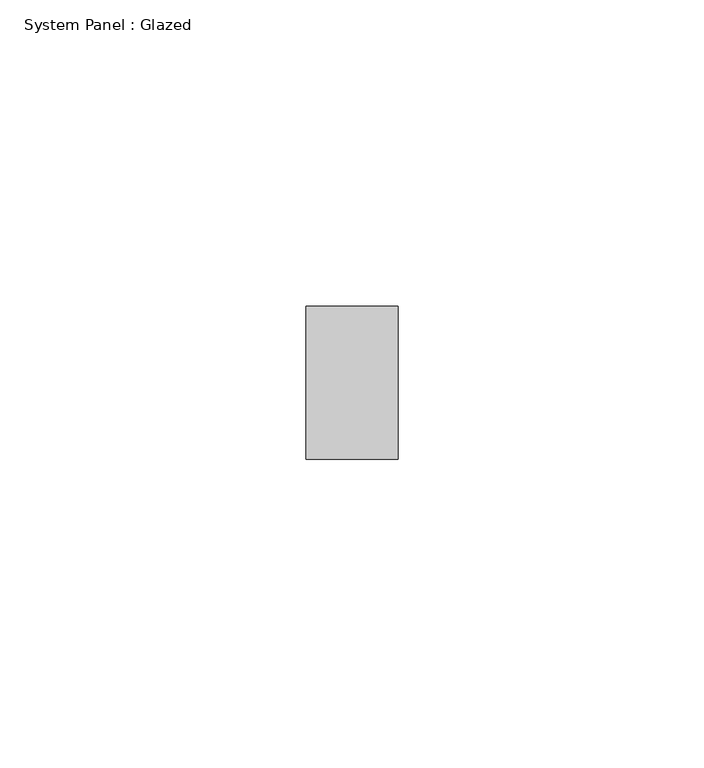
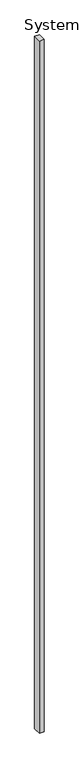
"""IFC4 building model written with IfcOpenShell, lengths in millimetres: plate geometry, System Panel : Glazed."""

import ifcopenshell
import ifcopenshell.guid

model = None  # the IFC model being written
_history = None  # IfcOwnerHistory: only IFC2X3 demands one
_inside = {}  # id of a spatial element -> (the spatial element, [elements in it])
_under = {}  # id of a project, library or spatial element -> (it, [spatial elements below it])
_declared = {}  # id of a project -> (the project, [libraries it declares])
_typed = {}  # id of a type object -> (the type object, [elements of that type])
_made_of = {}  # id of a material, layer set ... -> (it, [elements and type objects made of it])


def new_model(schema):
    """Start an empty IFC model of exactly this schema.

    Asked for "IFC4X3", IfcOpenShell would pick the latest addendum, in which some entities
    have other attributes; the version numbers below select the first issue.
    IFC2X3 requires an IfcOwnerHistory on every rooted entity: one is made here for all.
    """
    global model, _history
    if schema == "IFC4X3":
        model = ifcopenshell.file(schema_version=(4, 3, 0, 0))
    else:
        model = ifcopenshell.file(schema=schema)
    _inside.clear()
    _under.clear()
    _declared.clear()
    _typed.clear()
    _made_of.clear()
    _history = None
    if model.schema == "IFC2X3":
        org = make("IfcOrganization", Name="unknown")
        user = make(
            "IfcPersonAndOrganization",
            ThePerson=make("IfcPerson", FamilyName="unknown"),
            TheOrganization=org,
        )
        app = make(
            "IfcApplication",
            ApplicationDeveloper=org,
            Version="unknown",
            ApplicationFullName="unknown",
            ApplicationIdentifier="unknown",
        )
        _history = make(
            "IfcOwnerHistory",
            OwningUser=user,
            OwningApplication=app,
            ChangeAction="ADDED",
            CreationDate=0,
        )
    return model


def make(cls, **values):
    """One entity of the class cls with the attributes given. An attribute that is None is left unset."""
    return model.create_entity(
        cls, **{name: value for name, value in values.items() if value is not None}
    )


def rooted(cls, **values):
    """An entity with a GlobalId (a new one), such as an element, a storey or a relation."""
    return make(cls, GlobalId=ifcopenshell.guid.new(), OwnerHistory=_history, **values)


def si_unit(unit_type, name, prefix=None):
    """IfcSIUnit, for example si_unit("LENGTHUNIT", "METRE", prefix="MILLI")."""
    return make("IfcSIUnit", UnitType=unit_type, Prefix=prefix, Name=name)


def assignment(units):
    """IfcUnitAssignment: the units of a project."""
    return None if units is None else make("IfcUnitAssignment", Units=units)


def point(xyz):
    """IfcCartesianPoint."""
    return None if xyz is None else make("IfcCartesianPoint", Coordinates=xyz)


def direction(xyz):
    """IfcDirection."""
    return None if xyz is None else make("IfcDirection", DirectionRatios=xyz)


def frame(location, z_axis=None, x_axis=None):
    """IfcAxis2Placement3D, a coordinate frame: its origin and axes. An axis left out is left unset."""
    return make(
        "IfcAxis2Placement3D",
        Location=point(location),
        Axis=direction(z_axis),
        RefDirection=direction(x_axis),
    )


def origin():
    """The frame at (0, 0, 0) with its axes left unset."""
    return frame((0.0, 0.0, 0.0))


def origin_with_axes():
    """The frame at (0, 0, 0) with the z axis (0, 0, 1) and the x axis (1, 0, 0) written out."""
    return frame((0.0, 0.0, 0.0), z_axis=(0.0, 0.0, 1.0), x_axis=(1.0, 0.0, 0.0))


def place(relative_to, where):
    """IfcLocalPlacement: puts the frame where relative to a parent placement (None: the world)."""
    return make(
        "IfcLocalPlacement", PlacementRelTo=relative_to, RelativePlacement=where
    )


def context(
    kind, dimensions, precision=None, world=None, true_north=None, identifier=None
):
    """IfcGeometricRepresentationContext, for example the 3D "Model" context."""
    return make(
        "IfcGeometricRepresentationContext",
        ContextIdentifier=identifier,
        ContextType=kind,
        CoordinateSpaceDimension=dimensions,
        Precision=precision,
        WorldCoordinateSystem=world,
        TrueNorth=true_north,
    )


def project(units=None, contexts=None):
    """IfcProject with its units and contexts."""
    return rooted(
        "IfcProject",
        Name="project",
        RepresentationContexts=contexts,
        UnitsInContext=assignment(units),
    )


def spatial(cls, under=None, at=None, **own):
    """A site, building, storey or space (cls), placed at a placement, below another one or the project."""
    s = rooted(cls, ObjectPlacement=at, **own)
    if under is not None:
        _under.setdefault(under.id(), (under, []))[1].append(s)
    return s


def polyline(points):
    """IfcPolyline through the points."""
    return make("IfcPolyline", Points=[point(p) for p in points])


def outline(outer, holes=None, kind="AREA"):
    """IfcArbitraryClosedProfileDef: a profile drawn as a closed curve; with holes, ...WithVoids."""
    if holes is None:
        return make("IfcArbitraryClosedProfileDef", ProfileType=kind, OuterCurve=outer)
    return make(
        "IfcArbitraryProfileDefWithVoids",
        ProfileType=kind,
        OuterCurve=outer,
        InnerCurves=holes,
    )


def extrude(swept, where, along, depth):
    """IfcExtrudedAreaSolid: the profile swept, set in the frame where, extruded along a direction by depth."""
    return make(
        "IfcExtrudedAreaSolid",
        SweptArea=swept,
        Position=where,
        ExtrudedDirection=direction(along),
        Depth=depth,
    )


def shape(context_of_items, identifier, shape_type, items):
    """IfcShapeRepresentation: the items that make up one representation, for example the "Body"."""
    return make(
        "IfcShapeRepresentation",
        ContextOfItems=context_of_items,
        RepresentationIdentifier=identifier,
        RepresentationType=shape_type,
        Items=items,
    )


def source(mapping_origin, context_of_items, identifier, shape_type, items):
    """IfcRepresentationMap: a shape defined once, which mapped items show again and again."""
    return make(
        "IfcRepresentationMap",
        MappingOrigin=mapping_origin,
        MappedRepresentation=shape(context_of_items, identifier, shape_type, items),
    )


def transform(
    local_origin,
    x_axis=None,
    y_axis=None,
    z_axis=None,
    scale=None,
    scale2=None,
    scale3=None,
    uniform=True,
):
    """IfcCartesianTransformationOperator3D, or its non-uniform kind. x_axis, y_axis, z_axis: its Axis1, 2, 3."""
    if uniform:
        return make(
            "IfcCartesianTransformationOperator3D",
            Axis1=direction(x_axis),
            Axis2=direction(y_axis),
            LocalOrigin=point(local_origin),
            Scale=scale,
            Axis3=direction(z_axis),
        )
    return make(
        "IfcCartesianTransformationOperator3DnonUniform",
        Axis1=direction(x_axis),
        Axis2=direction(y_axis),
        LocalOrigin=point(local_origin),
        Scale=scale,
        Axis3=direction(z_axis),
        Scale2=scale2,
        Scale3=scale3,
    )


def mapped(mapping_source, mapping_target):
    """IfcMappedItem: shows the shape of a source again, moved by a transform."""
    return make(
        "IfcMappedItem", MappingSource=mapping_source, MappingTarget=mapping_target
    )


def made_of(thing, what):
    """Note that an element or type object is made of a material, layer set ...; save() writes the relation."""
    if what is not None:
        _made_of.setdefault(what.id(), (what, []))[1].append(thing)
    return thing


def element(
    cls,
    number,
    at=None,
    inside=None,
    cuts=None,
    type_object=None,
    material=None,
    context=None,
    identifier="Body",
    shape_type=None,
    held_by="IfcProductDefinitionShape",
    body=None,
    shapes=None,
    **own,
):
    """One element of the class cls, such as IfcWall. Its Tag is "e" and its number.

    at: its placement. inside: the storey or other place that contains it. cuts: it is an
    opening in that element (IfcRelVoidsElement). A single representation is given by context,
    identifier, shape_type and body (its items); several are given by shapes. held_by: the class
    of the entity that holds the representations. save() writes the other relations.
    """
    e = rooted(cls, Tag="e%d" % number, ObjectPlacement=at, **own)
    if body is not None:
        shapes = [shape(context, identifier, shape_type, body)]
    if shapes is not None:
        e.Representation = make(held_by, Representations=shapes)
    if inside is not None:
        _inside.setdefault(inside.id(), (inside, []))[1].append(e)
    if cuts is not None:
        rooted(
            "IfcRelVoidsElement", RelatingBuildingElement=cuts, RelatedOpeningElement=e
        )
    if type_object is not None:
        _typed.setdefault(type_object.id(), (type_object, []))[1].append(e)
    return made_of(e, material)


def aggregate(whole, parts):
    """IfcRelAggregates: a whole, such as a stair, and the parts it consists of."""
    return rooted("IfcRelAggregates", RelatingObject=whole, RelatedObjects=parts)


def save(model, path):
    """Write the relations noted so far, then the file.

    IfcRelAggregates (storeys below a building ...), IfcRelContainedInSpatialStructure (elements
    in a storey), IfcRelDefinesByType, IfcRelAssociatesMaterial and IfcRelDeclares: one each for
    every whole, place, type object, material and project.
    """
    for whole, parts in _under.values():
        aggregate(whole, parts)
    for where, things in _inside.values():
        rooted(
            "IfcRelContainedInSpatialStructure",
            RelatedElements=things,
            RelatingStructure=where,
        )
    for kind, things in _typed.values():
        rooted("IfcRelDefinesByType", RelatedObjects=things, RelatingType=kind)
    for what, things in _made_of.values():
        rooted("IfcRelAssociatesMaterial", RelatedObjects=things, RelatingMaterial=what)
    for by, libraries in _declared.values():
        rooted("IfcRelDeclares", RelatingContext=by, RelatedDefinitions=libraries)
    model.write(path)


def system_panel_glazed_7bf7bf9d(model_context):
    return source(origin(), model_context, "Body", "SweptSolid", [
        extrude(outline(polyline([(7.5, 24.5), (-7.5, 24.5), (-7.5, 49.5), (7.5, 49.5), (7.5, 24.5)])), origin_with_axes(), (0.0, 0.0, 1.0), 2300.0),
    ])


if __name__ == "__main__":
    model = new_model("IFC4")
    model_context = context("Model", 3, world=origin())
    ifc_project = project(units=[si_unit("LENGTHUNIT", "METRE", prefix="MILLI")], contexts=[model_context])
    site = spatial("IfcSite", under=ifc_project)
    building = spatial("IfcBuilding", under=site)
    placement = place(None, origin())
    system_panel_glazed_shape = system_panel_glazed_7bf7bf9d(model_context)
    element("IfcPlate", 1, ObjectType="System Panel : Glazed", at=placement, inside=building, context=model_context, shape_type="MappedRepresentation", body=[
        mapped(system_panel_glazed_shape, transform((0.0, 0.0, 0.0), x_axis=(1.0, 0.0, 0.0), y_axis=(0.0, 1.0, 0.0), z_axis=(0.0, 0.0, 1.0))),
    ])
    save(model, "model.ifc")
